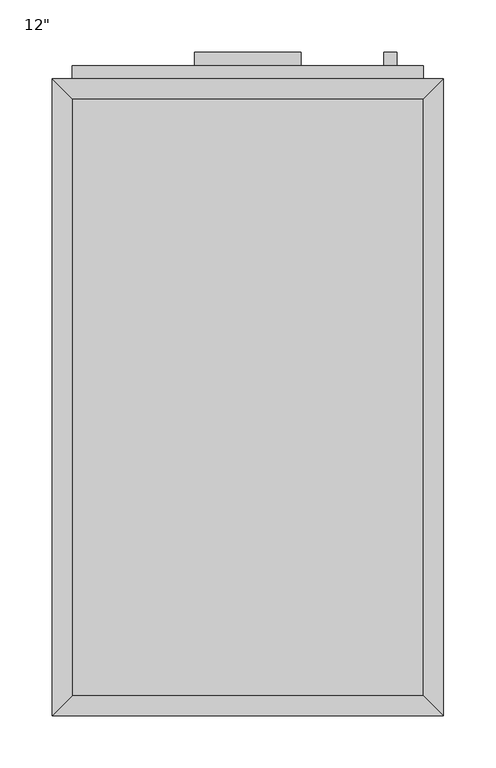
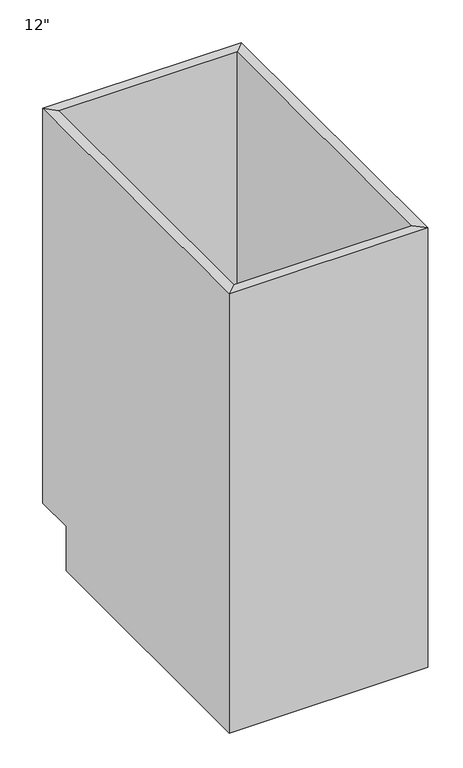
"""IFC4 building model written with IfcOpenShell, lengths in millimetres: furniture geometry."""

from ifc_helpers import new_model, si_unit, frame, origin, place, context, project, spatial, polyline, outline, extrude, faceted_brep, source, transform, mapped, element, save


def furniture_6f8b5f1d(model_context):
    return source(origin(), model_context, "Body", "SolidModel", [
        faceted_brep([(187.0862931, 590.55, 876.3), (-149.6108832, 590.55, 876.3), (-149.6108832, 590.55, 88.9), (187.0862931, 590.55, 88.9), (206.1362931, 609.6, 876.3), (-168.6608832, 609.6, 876.3), (206.1362931, 609.6, 88.9), (-168.6608832, 609.6, 88.9), (-149.6108832, 19.05, 876.3), (-149.6108832, 19.05, 88.9), (-149.6108832, 533.4, 88.9), (-168.6608832, 0.0, 876.3), (-168.6608832, 533.4, 88.9), (-168.6608832, 533.4, 0.0), (-168.6608832, 0.0, 0.0), (187.0862931, 19.05, 876.3), (187.0862931, 19.05, 88.9), (206.1362931, 0.0, 876.3), (206.1362931, 0.0, 0.0), (187.0862931, 533.4, 88.9), (206.1362931, 533.4, 0.0), (206.1362931, 533.4, 88.9)], [[[0, 1, 2, 3]], [[0, 4, 5, 1]], [[4, 6, 7, 5]], [[2, 7, 6, 3]], [[1, 8, 9, 10, 2]], [[5, 11, 8, 1]], [[7, 12, 13, 14, 11, 5]], [[2, 10, 12, 7]], [[8, 15, 16, 9]], [[11, 17, 15, 8]], [[14, 18, 17, 11]], [[3, 19, 16, 15, 0]], [[0, 15, 17, 4]], [[4, 17, 18, 20, 21, 6]], [[6, 21, 19, 3]], [[10, 9, 16, 19]], [[18, 14, 13, 20]], [[13, 12, 10, 19, 21, 20]]]),
        extrude(outline(polyline([(161.6862931, 635.0), (161.6862931, 622.3), (148.9862931, 622.3), (148.9862931, 635.0), (161.6862931, 635.0)])), frame((0.0, 0.0, 596.9), z_axis=(0.0, 0.0, 1.0), x_axis=(1.0, 0.0, 0.0)), (0.0, 0.0, 1.0), 101.6),
        extrude(outline(polyline([(69.5377049, 635.0), (69.5377049, 622.3), (-32.0622951, 622.3), (-32.0622951, 635.0), (69.5377049, 635.0)])), frame((0.0, 0.0, 819.15), z_axis=(0.0, 0.0, 1.0), x_axis=(1.0, 0.0, 0.0)), (0.0, 0.0, 1.0), 12.7),
        extrude(outline(polyline([(187.0862931, 622.3), (187.0862931, 609.6), (-149.6108832, 609.6), (-149.6108832, 622.3), (187.0862931, 622.3)])), frame((0.0, 0.0, 107.95), z_axis=(0.0, 0.0, 1.0), x_axis=(1.0, 0.0, 0.0)), (0.0, 0.0, 1.0), 628.65),
        extrude(outline(polyline([(187.0862931, 622.3), (187.0862931, 609.6), (-149.6108832, 609.6), (-149.6108832, 622.3), (187.0862931, 622.3)])), frame((0.0, 0.0, 755.65), z_axis=(0.0, 0.0, 1.0), x_axis=(1.0, 0.0, 0.0)), (0.0, 0.0, 1.0), 101.6),
        extrude(outline(polyline([(187.0862931, 19.05), (-149.6108832, 19.05), (-149.6108832, 590.55), (187.0862931, 590.55), (187.0862931, 19.05)])), frame((0.0, 0.0, 88.9), z_axis=(0.0, 0.0, 1.0), x_axis=(1.0, 0.0, 0.0)), (0.0, 0.0, 1.0), 19.05),
    ])


if __name__ == "__main__":
    model = new_model("IFC4")
    model_context = context("Model", 3, world=origin())
    ifc_project = project(units=[si_unit("LENGTHUNIT", "METRE", prefix="MILLI")], contexts=[model_context])
    site = spatial("IfcSite", under=ifc_project)
    building = spatial("IfcBuilding", under=site)
    placement = place(None, origin())
    furniture_shape = furniture_6f8b5f1d(model_context)
    element("IfcFurniture", 1, ObjectType="12\"", at=placement, inside=building, context=model_context, shape_type="MappedRepresentation", body=[
        mapped(furniture_shape, transform((0.0, 0.0, 0.0), x_axis=(1.0, 0.0, 0.0), y_axis=(0.0, 1.0, 0.0), z_axis=(0.0, 0.0, 1.0))),
    ])
    save(model, "model.ifc")
